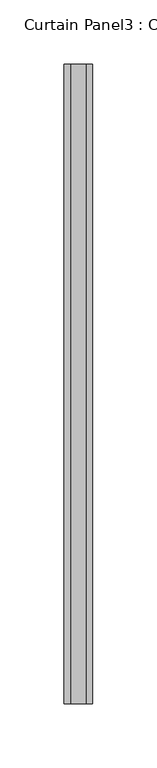
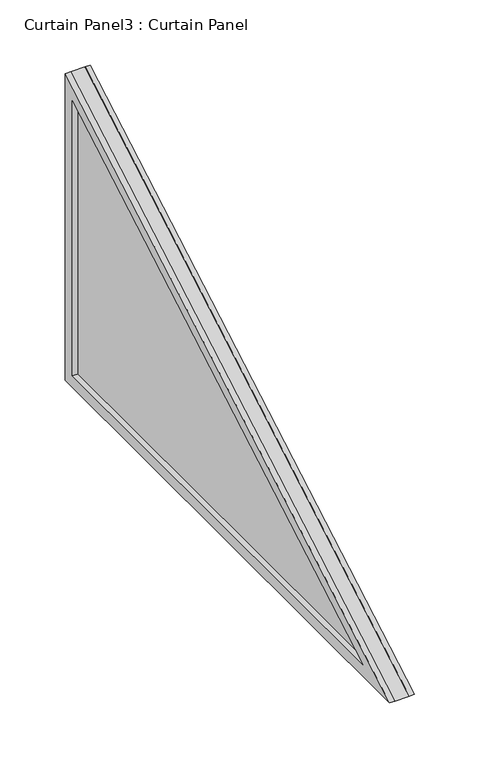
"""IFC4 building model written with IfcOpenShell, lengths in millimetres: plate geometry, Curtain Panel3 : Curtain Panel."""

import ifcopenshell
import ifcopenshell.guid

model = None  # the IFC model being written
_history = None  # IfcOwnerHistory: only IFC2X3 demands one
_inside = {}  # id of a spatial element -> (the spatial element, [elements in it])
_under = {}  # id of a project, library or spatial element -> (it, [spatial elements below it])
_declared = {}  # id of a project -> (the project, [libraries it declares])
_typed = {}  # id of a type object -> (the type object, [elements of that type])
_made_of = {}  # id of a material, layer set ... -> (it, [elements and type objects made of it])


def new_model(schema):
    """Start an empty IFC model of exactly this schema.

    Asked for "IFC4X3", IfcOpenShell would pick the latest addendum, in which some entities
    have other attributes; the version numbers below select the first issue.
    IFC2X3 requires an IfcOwnerHistory on every rooted entity: one is made here for all.
    """
    global model, _history
    if schema == "IFC4X3":
        model = ifcopenshell.file(schema_version=(4, 3, 0, 0))
    else:
        model = ifcopenshell.file(schema=schema)
    _inside.clear()
    _under.clear()
    _declared.clear()
    _typed.clear()
    _made_of.clear()
    _history = None
    if model.schema == "IFC2X3":
        org = make("IfcOrganization", Name="unknown")
        user = make(
            "IfcPersonAndOrganization",
            ThePerson=make("IfcPerson", FamilyName="unknown"),
            TheOrganization=org,
        )
        app = make(
            "IfcApplication",
            ApplicationDeveloper=org,
            Version="unknown",
            ApplicationFullName="unknown",
            ApplicationIdentifier="unknown",
        )
        _history = make(
            "IfcOwnerHistory",
            OwningUser=user,
            OwningApplication=app,
            ChangeAction="ADDED",
            CreationDate=0,
        )
    return model


def make(cls, **values):
    """One entity of the class cls with the attributes given. An attribute that is None is left unset."""
    return model.create_entity(
        cls, **{name: value for name, value in values.items() if value is not None}
    )


def rooted(cls, **values):
    """An entity with a GlobalId (a new one), such as an element, a storey or a relation."""
    return make(cls, GlobalId=ifcopenshell.guid.new(), OwnerHistory=_history, **values)


def si_unit(unit_type, name, prefix=None):
    """IfcSIUnit, for example si_unit("LENGTHUNIT", "METRE", prefix="MILLI")."""
    return make("IfcSIUnit", UnitType=unit_type, Prefix=prefix, Name=name)


def assignment(units):
    """IfcUnitAssignment: the units of a project."""
    return None if units is None else make("IfcUnitAssignment", Units=units)


def point(xyz):
    """IfcCartesianPoint."""
    return None if xyz is None else make("IfcCartesianPoint", Coordinates=xyz)


def direction(xyz):
    """IfcDirection."""
    return None if xyz is None else make("IfcDirection", DirectionRatios=xyz)


def frame(location, z_axis=None, x_axis=None):
    """IfcAxis2Placement3D, a coordinate frame: its origin and axes. An axis left out is left unset."""
    return make(
        "IfcAxis2Placement3D",
        Location=point(location),
        Axis=direction(z_axis),
        RefDirection=direction(x_axis),
    )


def origin():
    """The frame at (0, 0, 0) with its axes left unset."""
    return frame((0.0, 0.0, 0.0))


def place(relative_to, where):
    """IfcLocalPlacement: puts the frame where relative to a parent placement (None: the world)."""
    return make(
        "IfcLocalPlacement", PlacementRelTo=relative_to, RelativePlacement=where
    )


def context(
    kind, dimensions, precision=None, world=None, true_north=None, identifier=None
):
    """IfcGeometricRepresentationContext, for example the 3D "Model" context."""
    return make(
        "IfcGeometricRepresentationContext",
        ContextIdentifier=identifier,
        ContextType=kind,
        CoordinateSpaceDimension=dimensions,
        Precision=precision,
        WorldCoordinateSystem=world,
        TrueNorth=true_north,
    )


def project(units=None, contexts=None):
    """IfcProject with its units and contexts."""
    return rooted(
        "IfcProject",
        Name="project",
        RepresentationContexts=contexts,
        UnitsInContext=assignment(units),
    )


def spatial(cls, under=None, at=None, **own):
    """A site, building, storey or space (cls), placed at a placement, below another one or the project."""
    s = rooted(cls, ObjectPlacement=at, **own)
    if under is not None:
        _under.setdefault(under.id(), (under, []))[1].append(s)
    return s


def polyline(points):
    """IfcPolyline through the points."""
    return make("IfcPolyline", Points=[point(p) for p in points])


def outline(outer, holes=None, kind="AREA"):
    """IfcArbitraryClosedProfileDef: a profile drawn as a closed curve; with holes, ...WithVoids."""
    if holes is None:
        return make("IfcArbitraryClosedProfileDef", ProfileType=kind, OuterCurve=outer)
    return make(
        "IfcArbitraryProfileDefWithVoids",
        ProfileType=kind,
        OuterCurve=outer,
        InnerCurves=holes,
    )


def extrude(swept, where, along, depth):
    """IfcExtrudedAreaSolid: the profile swept, set in the frame where, extruded along a direction by depth."""
    return make(
        "IfcExtrudedAreaSolid",
        SweptArea=swept,
        Position=where,
        ExtrudedDirection=direction(along),
        Depth=depth,
    )


def shape(context_of_items, identifier, shape_type, items):
    """IfcShapeRepresentation: the items that make up one representation, for example the "Body"."""
    return make(
        "IfcShapeRepresentation",
        ContextOfItems=context_of_items,
        RepresentationIdentifier=identifier,
        RepresentationType=shape_type,
        Items=items,
    )


def source(mapping_origin, context_of_items, identifier, shape_type, items):
    """IfcRepresentationMap: a shape defined once, which mapped items show again and again."""
    return make(
        "IfcRepresentationMap",
        MappingOrigin=mapping_origin,
        MappedRepresentation=shape(context_of_items, identifier, shape_type, items),
    )


def transform(
    local_origin,
    x_axis=None,
    y_axis=None,
    z_axis=None,
    scale=None,
    scale2=None,
    scale3=None,
    uniform=True,
):
    """IfcCartesianTransformationOperator3D, or its non-uniform kind. x_axis, y_axis, z_axis: its Axis1, 2, 3."""
    if uniform:
        return make(
            "IfcCartesianTransformationOperator3D",
            Axis1=direction(x_axis),
            Axis2=direction(y_axis),
            LocalOrigin=point(local_origin),
            Scale=scale,
            Axis3=direction(z_axis),
        )
    return make(
        "IfcCartesianTransformationOperator3DnonUniform",
        Axis1=direction(x_axis),
        Axis2=direction(y_axis),
        LocalOrigin=point(local_origin),
        Scale=scale,
        Axis3=direction(z_axis),
        Scale2=scale2,
        Scale3=scale3,
    )


def mapped(mapping_source, mapping_target):
    """IfcMappedItem: shows the shape of a source again, moved by a transform."""
    return make(
        "IfcMappedItem", MappingSource=mapping_source, MappingTarget=mapping_target
    )


def made_of(thing, what):
    """Note that an element or type object is made of a material, layer set ...; save() writes the relation."""
    if what is not None:
        _made_of.setdefault(what.id(), (what, []))[1].append(thing)
    return thing


def element(
    cls,
    number,
    at=None,
    inside=None,
    cuts=None,
    type_object=None,
    material=None,
    context=None,
    identifier="Body",
    shape_type=None,
    held_by="IfcProductDefinitionShape",
    body=None,
    shapes=None,
    **own,
):
    """One element of the class cls, such as IfcWall. Its Tag is "e" and its number.

    at: its placement. inside: the storey or other place that contains it. cuts: it is an
    opening in that element (IfcRelVoidsElement). A single representation is given by context,
    identifier, shape_type and body (its items); several are given by shapes. held_by: the class
    of the entity that holds the representations. save() writes the other relations.
    """
    e = rooted(cls, Tag="e%d" % number, ObjectPlacement=at, **own)
    if body is not None:
        shapes = [shape(context, identifier, shape_type, body)]
    if shapes is not None:
        e.Representation = make(held_by, Representations=shapes)
    if inside is not None:
        _inside.setdefault(inside.id(), (inside, []))[1].append(e)
    if cuts is not None:
        rooted(
            "IfcRelVoidsElement", RelatingBuildingElement=cuts, RelatedOpeningElement=e
        )
    if type_object is not None:
        _typed.setdefault(type_object.id(), (type_object, []))[1].append(e)
    return made_of(e, material)


def aggregate(whole, parts):
    """IfcRelAggregates: a whole, such as a stair, and the parts it consists of."""
    return rooted("IfcRelAggregates", RelatingObject=whole, RelatedObjects=parts)


def save(model, path):
    """Write the relations noted so far, then the file.

    IfcRelAggregates (storeys below a building ...), IfcRelContainedInSpatialStructure (elements
    in a storey), IfcRelDefinesByType, IfcRelAssociatesMaterial and IfcRelDeclares: one each for
    every whole, place, type object, material and project.
    """
    for whole, parts in _under.values():
        aggregate(whole, parts)
    for where, things in _inside.values():
        rooted(
            "IfcRelContainedInSpatialStructure",
            RelatedElements=things,
            RelatingStructure=where,
        )
    for kind, things in _typed.values():
        rooted("IfcRelDefinesByType", RelatedObjects=things, RelatingType=kind)
    for what, things in _made_of.values():
        rooted("IfcRelAssociatesMaterial", RelatedObjects=things, RelatingMaterial=what)
    for by, libraries in _declared.values():
        rooted("IfcRelDeclares", RelatingContext=by, RelatedDefinitions=libraries)
    model.write(path)


def curtain_panel3_curtain_panel_4e9e77ed(model_context):
    return source(origin(), model_context, "Body", "SweptSolid", [
        extrude(outline(polyline([(-13830.7897399, 878.6715827), (-13830.7897399, 591.0899159), (-14328.8957981, 591.0899159), (-13830.7897399, 878.6715827)]), holes=[polyline([(-13841.7093351, 602.0095111), (-13841.7093351, 859.7582889), (-14288.1433139, 602.0095111), (-13841.7093351, 602.0095111)])]), frame((12102.2998157, 0.0, 0.0), z_axis=(1.0, 0.0, 0.0), x_axis=(0.0, 1.0, 0.0)), (0.0, 0.0, 1.0), 4.7213005),
        extrude(outline(polyline([(-13830.7897399, 878.6715827), (-13830.7897399, 591.0899159), (-14328.8957981, 591.0899159), (-13830.7897399, 878.6715827)]), holes=[polyline([(-13841.7093351, 602.0095111), (-13841.7093351, 859.7582889), (-14288.1433139, 602.0095111), (-13841.7093351, 602.0095111)])]), frame((12084.6413354, 0.0, 0.0), z_axis=(1.0, 0.0, 0.0), x_axis=(0.0, 1.0, 0.0)), (0.0, 0.0, 1.0), 4.913114),
        extrude(outline(polyline([(-14328.8957981, 591.0899159), (-13830.7897399, 878.6715827), (-13830.7897399, 591.0899159), (-14328.8957981, 591.0899159)])), frame((12089.5544494, 0.0, 0.0), z_axis=(1.0, 0.0, 0.0), x_axis=(0.0, 1.0, 0.0)), (0.0, 0.0, 1.0), 12.7453662),
    ])


if __name__ == "__main__":
    model = new_model("IFC4")
    model_context = context("Model", 3, world=origin())
    ifc_project = project(units=[si_unit("LENGTHUNIT", "METRE", prefix="MILLI")], contexts=[model_context])
    site = spatial("IfcSite", under=ifc_project)
    building = spatial("IfcBuilding", under=site)
    placement = place(None, origin())
    curtain_panel3_curtain_panel_shape = curtain_panel3_curtain_panel_4e9e77ed(model_context)
    element("IfcPlate", 1, ObjectType="Curtain Panel3 : Curtain Panel", at=placement, inside=building, context=model_context, shape_type="MappedRepresentation", body=[
        mapped(curtain_panel3_curtain_panel_shape, transform((0.0, 0.0, 0.0), x_axis=(1.0, 0.0, 0.0), y_axis=(0.0, 1.0, 0.0), z_axis=(0.0, 0.0, 1.0))),
    ])
    save(model, "model.ifc")
